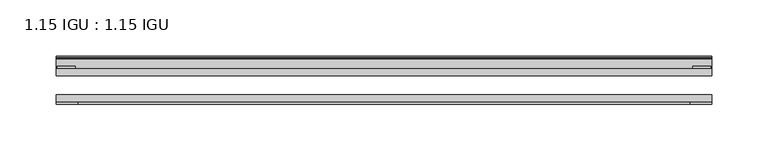
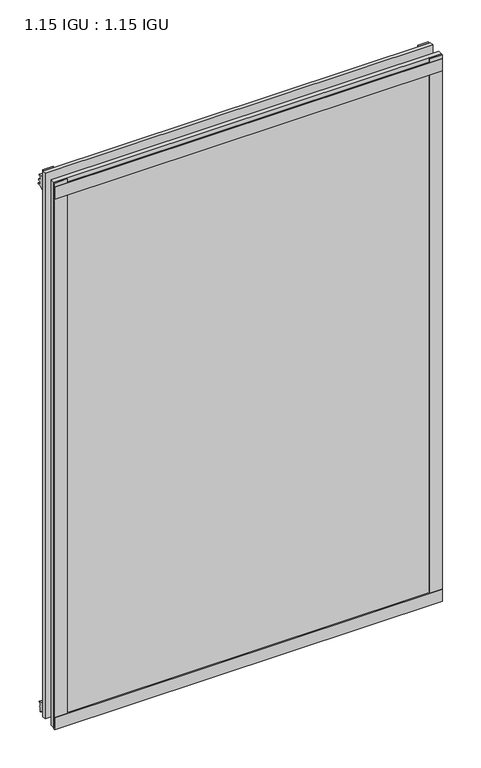
"""IFC4 building model written with IfcOpenShell, lengths in millimetres: plate geometry, 1.15 IGU : 1.15 IGU."""

import ifcopenshell
import ifcopenshell.guid

model = None  # the IFC model being written
_history = None  # IfcOwnerHistory: only IFC2X3 demands one
_inside = {}  # id of a spatial element -> (the spatial element, [elements in it])
_under = {}  # id of a project, library or spatial element -> (it, [spatial elements below it])
_declared = {}  # id of a project -> (the project, [libraries it declares])
_typed = {}  # id of a type object -> (the type object, [elements of that type])
_made_of = {}  # id of a material, layer set ... -> (it, [elements and type objects made of it])


def new_model(schema):
    """Start an empty IFC model of exactly this schema.

    Asked for "IFC4X3", IfcOpenShell would pick the latest addendum, in which some entities
    have other attributes; the version numbers below select the first issue.
    IFC2X3 requires an IfcOwnerHistory on every rooted entity: one is made here for all.
    """
    global model, _history
    if schema == "IFC4X3":
        model = ifcopenshell.file(schema_version=(4, 3, 0, 0))
    else:
        model = ifcopenshell.file(schema=schema)
    _inside.clear()
    _under.clear()
    _declared.clear()
    _typed.clear()
    _made_of.clear()
    _history = None
    if model.schema == "IFC2X3":
        org = make("IfcOrganization", Name="unknown")
        user = make(
            "IfcPersonAndOrganization",
            ThePerson=make("IfcPerson", FamilyName="unknown"),
            TheOrganization=org,
        )
        app = make(
            "IfcApplication",
            ApplicationDeveloper=org,
            Version="unknown",
            ApplicationFullName="unknown",
            ApplicationIdentifier="unknown",
        )
        _history = make(
            "IfcOwnerHistory",
            OwningUser=user,
            OwningApplication=app,
            ChangeAction="ADDED",
            CreationDate=0,
        )
    return model


def make(cls, **values):
    """One entity of the class cls with the attributes given. An attribute that is None is left unset."""
    return model.create_entity(
        cls, **{name: value for name, value in values.items() if value is not None}
    )


def rooted(cls, **values):
    """An entity with a GlobalId (a new one), such as an element, a storey or a relation."""
    return make(cls, GlobalId=ifcopenshell.guid.new(), OwnerHistory=_history, **values)


def si_unit(unit_type, name, prefix=None):
    """IfcSIUnit, for example si_unit("LENGTHUNIT", "METRE", prefix="MILLI")."""
    return make("IfcSIUnit", UnitType=unit_type, Prefix=prefix, Name=name)


def assignment(units):
    """IfcUnitAssignment: the units of a project."""
    return None if units is None else make("IfcUnitAssignment", Units=units)


def point(xyz):
    """IfcCartesianPoint."""
    return None if xyz is None else make("IfcCartesianPoint", Coordinates=xyz)


def direction(xyz):
    """IfcDirection."""
    return None if xyz is None else make("IfcDirection", DirectionRatios=xyz)


def frame(location, z_axis=None, x_axis=None):
    """IfcAxis2Placement3D, a coordinate frame: its origin and axes. An axis left out is left unset."""
    return make(
        "IfcAxis2Placement3D",
        Location=point(location),
        Axis=direction(z_axis),
        RefDirection=direction(x_axis),
    )


def frame_2d(location, x_axis=None):
    """IfcAxis2Placement2D, a coordinate frame in the plane: its origin and x axis."""
    return make(
        "IfcAxis2Placement2D", Location=point(location), RefDirection=direction(x_axis)
    )


def origin():
    """The frame at (0, 0, 0) with its axes left unset."""
    return frame((0.0, 0.0, 0.0))


def place(relative_to, where):
    """IfcLocalPlacement: puts the frame where relative to a parent placement (None: the world)."""
    return make(
        "IfcLocalPlacement", PlacementRelTo=relative_to, RelativePlacement=where
    )


def context(
    kind, dimensions, precision=None, world=None, true_north=None, identifier=None
):
    """IfcGeometricRepresentationContext, for example the 3D "Model" context."""
    return make(
        "IfcGeometricRepresentationContext",
        ContextIdentifier=identifier,
        ContextType=kind,
        CoordinateSpaceDimension=dimensions,
        Precision=precision,
        WorldCoordinateSystem=world,
        TrueNorth=true_north,
    )


def project(units=None, contexts=None):
    """IfcProject with its units and contexts."""
    return rooted(
        "IfcProject",
        Name="project",
        RepresentationContexts=contexts,
        UnitsInContext=assignment(units),
    )


def spatial(cls, under=None, at=None, **own):
    """A site, building, storey or space (cls), placed at a placement, below another one or the project."""
    s = rooted(cls, ObjectPlacement=at, **own)
    if under is not None:
        _under.setdefault(under.id(), (under, []))[1].append(s)
    return s


def polyline(points):
    """IfcPolyline through the points."""
    return make("IfcPolyline", Points=[point(p) for p in points])


def circle_curve(where, radius):
    """IfcCircle in the frame where."""
    return make("IfcCircle", Position=where, Radius=radius)


def trimmed(basis, trim1, trim2, sense, master):
    """IfcTrimmedCurve: the piece of a basis curve between two trims."""
    return make(
        "IfcTrimmedCurve",
        BasisCurve=basis,
        Trim1=trim1,
        Trim2=trim2,
        SenseAgreement=sense,
        MasterRepresentation=master,
    )


def segment(curve, same_sense, transition):
    """IfcCompositeCurveSegment."""
    return make(
        "IfcCompositeCurveSegment",
        Transition=transition,
        SameSense=same_sense,
        ParentCurve=curve,
    )


def composite_curve(segments, self_intersect=None):
    """IfcCompositeCurve: segments joined end to end."""
    return make("IfcCompositeCurve", Segments=segments, SelfIntersect=self_intersect)


def outline(outer, holes=None, kind="AREA"):
    """IfcArbitraryClosedProfileDef: a profile drawn as a closed curve; with holes, ...WithVoids."""
    if holes is None:
        return make("IfcArbitraryClosedProfileDef", ProfileType=kind, OuterCurve=outer)
    return make(
        "IfcArbitraryProfileDefWithVoids",
        ProfileType=kind,
        OuterCurve=outer,
        InnerCurves=holes,
    )


def extrude(swept, where, along, depth):
    """IfcExtrudedAreaSolid: the profile swept, set in the frame where, extruded along a direction by depth."""
    return make(
        "IfcExtrudedAreaSolid",
        SweptArea=swept,
        Position=where,
        ExtrudedDirection=direction(along),
        Depth=depth,
    )


def shape(context_of_items, identifier, shape_type, items):
    """IfcShapeRepresentation: the items that make up one representation, for example the "Body"."""
    return make(
        "IfcShapeRepresentation",
        ContextOfItems=context_of_items,
        RepresentationIdentifier=identifier,
        RepresentationType=shape_type,
        Items=items,
    )


def source(mapping_origin, context_of_items, identifier, shape_type, items):
    """IfcRepresentationMap: a shape defined once, which mapped items show again and again."""
    return make(
        "IfcRepresentationMap",
        MappingOrigin=mapping_origin,
        MappedRepresentation=shape(context_of_items, identifier, shape_type, items),
    )


def transform(
    local_origin,
    x_axis=None,
    y_axis=None,
    z_axis=None,
    scale=None,
    scale2=None,
    scale3=None,
    uniform=True,
):
    """IfcCartesianTransformationOperator3D, or its non-uniform kind. x_axis, y_axis, z_axis: its Axis1, 2, 3."""
    if uniform:
        return make(
            "IfcCartesianTransformationOperator3D",
            Axis1=direction(x_axis),
            Axis2=direction(y_axis),
            LocalOrigin=point(local_origin),
            Scale=scale,
            Axis3=direction(z_axis),
        )
    return make(
        "IfcCartesianTransformationOperator3DnonUniform",
        Axis1=direction(x_axis),
        Axis2=direction(y_axis),
        LocalOrigin=point(local_origin),
        Scale=scale,
        Axis3=direction(z_axis),
        Scale2=scale2,
        Scale3=scale3,
    )


def mapped(mapping_source, mapping_target):
    """IfcMappedItem: shows the shape of a source again, moved by a transform."""
    return make(
        "IfcMappedItem", MappingSource=mapping_source, MappingTarget=mapping_target
    )


def made_of(thing, what):
    """Note that an element or type object is made of a material, layer set ...; save() writes the relation."""
    if what is not None:
        _made_of.setdefault(what.id(), (what, []))[1].append(thing)
    return thing


def element(
    cls,
    number,
    at=None,
    inside=None,
    cuts=None,
    type_object=None,
    material=None,
    context=None,
    identifier="Body",
    shape_type=None,
    held_by="IfcProductDefinitionShape",
    body=None,
    shapes=None,
    **own,
):
    """One element of the class cls, such as IfcWall. Its Tag is "e" and its number.

    at: its placement. inside: the storey or other place that contains it. cuts: it is an
    opening in that element (IfcRelVoidsElement). A single representation is given by context,
    identifier, shape_type and body (its items); several are given by shapes. held_by: the class
    of the entity that holds the representations. save() writes the other relations.
    """
    e = rooted(cls, Tag="e%d" % number, ObjectPlacement=at, **own)
    if body is not None:
        shapes = [shape(context, identifier, shape_type, body)]
    if shapes is not None:
        e.Representation = make(held_by, Representations=shapes)
    if inside is not None:
        _inside.setdefault(inside.id(), (inside, []))[1].append(e)
    if cuts is not None:
        rooted(
            "IfcRelVoidsElement", RelatingBuildingElement=cuts, RelatedOpeningElement=e
        )
    if type_object is not None:
        _typed.setdefault(type_object.id(), (type_object, []))[1].append(e)
    return made_of(e, material)


def aggregate(whole, parts):
    """IfcRelAggregates: a whole, such as a stair, and the parts it consists of."""
    return rooted("IfcRelAggregates", RelatingObject=whole, RelatedObjects=parts)


def save(model, path):
    """Write the relations noted so far, then the file.

    IfcRelAggregates (storeys below a building ...), IfcRelContainedInSpatialStructure (elements
    in a storey), IfcRelDefinesByType, IfcRelAssociatesMaterial and IfcRelDeclares: one each for
    every whole, place, type object, material and project.
    """
    for whole, parts in _under.values():
        aggregate(whole, parts)
    for where, things in _inside.values():
        rooted(
            "IfcRelContainedInSpatialStructure",
            RelatedElements=things,
            RelatingStructure=where,
        )
    for kind, things in _typed.values():
        rooted("IfcRelDefinesByType", RelatedObjects=things, RelatingType=kind)
    for what, things in _made_of.values():
        rooted("IfcRelAssociatesMaterial", RelatedObjects=things, RelatingMaterial=what)
    for by, libraries in _declared.values():
        rooted("IfcRelDeclares", RelatingContext=by, RelatedDefinitions=libraries)
    model.write(path)


def plate_1_15_igu_1_15_igu_5b5abfe7(model_context):
    return source(origin(), model_context, "Body", "SweptSolid", [
        extrude(outline(polyline([(292.1, 0.0), (292.1, -6.2992), (-292.1, -6.2992), (-292.1, 0.0), (292.1, 0.0)])), frame((0.0, 0.0, -17.4498), z_axis=(0.0, 0.0, 1.0), x_axis=(1.0, 0.0, 0.0)), (0.0, 0.0, 1.0), 868.3366072),
        extrude(outline(polyline([(-292.1, -23.1648), (292.1, -23.1648), (292.1, -29.464), (-292.1, -29.464), (-292.1, -23.1648)])), frame((0.0, 0.0, -17.4498), z_axis=(0.0, 0.0, 1.0), x_axis=(1.0, 0.0, 0.0)), (0.0, 0.0, 1.0), 868.3366072),
        extrude(outline(polyline([(-292.1, -31.75), (-292.1, -29.464), (292.1, -29.464), (292.1, -31.75), (-292.1, -31.75)])), frame((0.0, 0.0, -19.05), z_axis=(0.0, 0.0, 1.0), x_axis=(1.0, 0.0, 0.0)), (0.0, 0.0, 1.0), 19.05),
        extrude(outline(composite_curve([segment(trimmed(circle_curve(frame_2d((13.6593785, 32.4202472)), 31.3046461), [point((0.0, 4.2528503))], [point((9.3980339, 1.406995))], True, "CARTESIAN"), True, "CONTINUOUS"), segment(polyline([(9.3980339, 1.406995), (9.3980339, 0.0254), (6.35, 0.0254), (6.35, -5.1625788), (7.7309478, -5.3970663), (6.35, -8.0073788), (6.35, -11.8471127)]), True, "CONTINUOUS"), segment(trimmed(circle_curve(frame_2d((5.334, -11.8471127)), 1.016), [point((6.35, -11.8471127))], [point((4.6284878, -12.5782136))], False, "CARTESIAN"), True, "CONTINUOUS"), segment(trimmed(circle_curve(frame_2d((-23.3689302, -41.5910901)), 40.3187601), [point((4.6284878, -12.5782136))], [point((0.0, -8.735413))], True, "CARTESIAN"), True, "CONTINUOUS"), segment(polyline([(0.0, -8.735413), (0.0, 4.2528503)]), True, "CONTINUOUS")], self_intersect=False)), frame((-292.1, 0.0, 0.0), z_axis=(1.0, 0.0, 0.0), x_axis=(0.0, 1.0, 0.0)), (0.0, 0.0, 1.0), 584.2),
        extrude(outline(composite_curve([segment(polyline([(8.509, 840.7300284), (8.509, 838.6980284), (6.35, 838.6980284), (6.35, 833.3640284), (8.9492698, 833.3640284)]), True, "CONTINUOUS"), segment(trimmed(circle_curve(frame_2d((8.208689, 831.8368072)), 1.697311), [point((8.9492698, 833.3640284))], [point((8.962411, 830.3160284))], False, "CARTESIAN"), True, "CONTINUOUS"), segment(polyline([(8.962411, 830.3160284), (6.35, 830.3160284), (6.35, 825.4868072), (11.1252, 825.4868072), (11.1252, 824.5978072)]), True, "CONTINUOUS"), segment(trimmed(circle_curve(frame_2d((10.1092, 824.5978072)), 1.016), [point((11.1252, 824.5978072))], [point((10.1092, 823.5818072))], False, "CARTESIAN"), True, "CONTINUOUS"), segment(trimmed(circle_curve(frame_2d((10.1092, 804.1707318)), 19.4110754), [point((10.1092, 823.5818072))], [point((0.0, 820.7416075))], True, "CARTESIAN"), True, "CONTINUOUS"), segment(polyline([(0.0, 820.7416075), (0.0, 840.7300284), (8.509, 840.7300284)]), True, "CONTINUOUS")], self_intersect=False)), frame((-292.1, 0.0, 0.0), z_axis=(1.0, 0.0, 0.0), x_axis=(0.0, 1.0, 0.0)), (0.0, 0.0, 1.0), 584.2),
        extrude(outline(polyline([(-292.1, -31.75), (-292.1, -29.464), (292.1, -29.464), (292.1, -31.75), (-292.1, -31.75)])), frame((0.0, 0.0, 825.4868072), z_axis=(0.0, 0.0, 1.0), x_axis=(1.0, 0.0, 0.0)), (0.0, 0.0, 1.0), 19.05),
        extrude(outline(polyline([(273.05, -29.464), (292.1, -29.464), (292.1, -31.75), (273.05, -31.75), (273.05, -29.464)])), frame((0.0, 0.0, -17.4498), z_axis=(0.0, 0.0, 1.0), x_axis=(1.0, 0.0, 0.0)), (0.0, 0.0, 1.0), 868.3366072),
        extrude(outline(polyline([(290.8935, 2.2860088), (290.8935, 0.0021347), (275.0185, 0.0021347), (275.0185, 2.2860088), (290.8935, 2.2860088)])), frame((0.0, 0.0, -17.4498), z_axis=(0.0, 0.0, 1.0), x_axis=(1.0, 0.0, 0.0)), (0.0, 0.0, 1.0), 868.3366072),
        extrude(outline(polyline([(-292.1, -31.75), (-292.1, -29.464), (-273.05, -29.464), (-273.05, -31.75), (-292.1, -31.75)])), frame((0.0, 0.0, -17.4498), z_axis=(0.0, 0.0, 1.0), x_axis=(1.0, 0.0, 0.0)), (0.0, 0.0, 1.0), 868.3366072),
        extrude(outline(polyline([(-290.8935, 0.0), (-290.8935, 2.286), (-275.0185, 2.286), (-275.0185, 0.0), (-290.8935, 0.0)])), frame((0.0, 0.0, -17.4498), z_axis=(0.0, 0.0, 1.0), x_axis=(1.0, 0.0, 0.0)), (0.0, 0.0, 1.0), 868.3366072),
    ])


if __name__ == "__main__":
    model = new_model("IFC4")
    model_context = context("Model", 3, world=origin())
    ifc_project = project(units=[si_unit("LENGTHUNIT", "METRE", prefix="MILLI")], contexts=[model_context])
    site = spatial("IfcSite", under=ifc_project)
    building = spatial("IfcBuilding", under=site)
    placement = place(None, origin())
    plate_1_15_igu_1_15_igu_shape = plate_1_15_igu_1_15_igu_5b5abfe7(model_context)
    element("IfcPlate", 1, ObjectType="1.15 IGU : 1.15 IGU", at=placement, inside=building, context=model_context, shape_type="MappedRepresentation", body=[
        mapped(plate_1_15_igu_1_15_igu_shape, transform((0.0, 0.0, 0.0), x_axis=(1.0, 0.0, 0.0), y_axis=(0.0, 1.0, 0.0), z_axis=(0.0, 0.0, 1.0))),
    ])
    save(model, "model.ifc")
